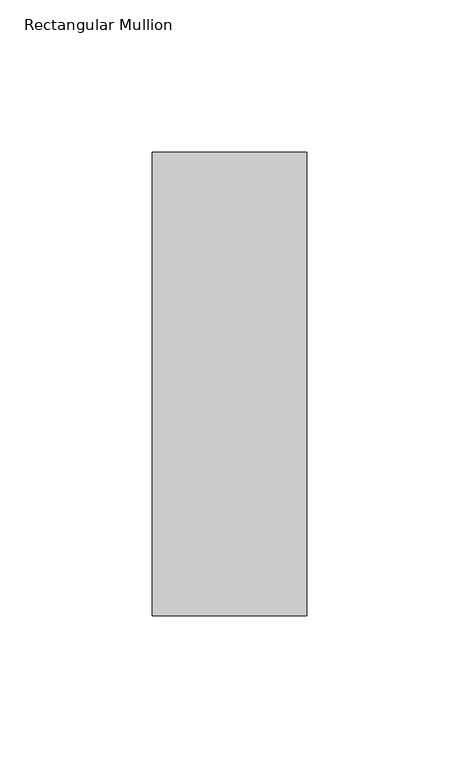
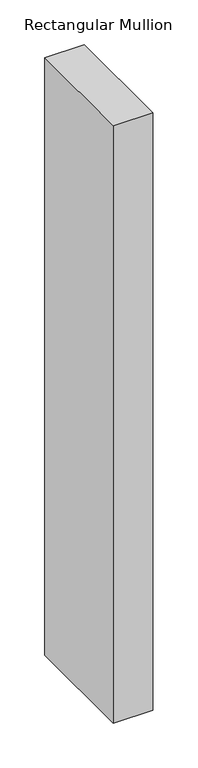
"""IFC4 building model written with IfcOpenShell, lengths in millimetres: member geometry, Rectangular Mullion."""

from ifc_helpers import new_model, si_unit, frame, origin, place, context, project, spatial, polyline, outline, extrude, source, transform, mapped, element, save


def rectangular_mullion_7415db23(model_context):
    return source(origin(), model_context, "Body", "SweptSolid", [
        extrude(outline(polyline([(0.0, 26.19375), (0.0, -126.20625), (-50.8, -126.20625), (-50.8, 26.19375), (0.0, 26.19375)])), frame((0.0, 0.0, -812.8), z_axis=(0.0, 0.0, 1.0), x_axis=(1.0, 0.0, 0.0)), (0.0, 0.0, 1.0), 812.8),
    ])


if __name__ == "__main__":
    model = new_model("IFC4")
    model_context = context("Model", 3, world=origin())
    ifc_project = project(units=[si_unit("LENGTHUNIT", "METRE", prefix="MILLI")], contexts=[model_context])
    site = spatial("IfcSite", under=ifc_project)
    building = spatial("IfcBuilding", under=site)
    placement = place(None, origin())
    rectangular_mullion_shape = rectangular_mullion_7415db23(model_context)
    element("IfcMember", 1, ObjectType="Rectangular Mullion", at=placement, inside=building, context=model_context, shape_type="MappedRepresentation", body=[
        mapped(rectangular_mullion_shape, transform((0.0, 0.0, 0.0), x_axis=(1.0, 0.0, 0.0), y_axis=(0.0, 1.0, 0.0), z_axis=(0.0, 0.0, 1.0))),
    ])
    save(model, "model.ifc")
